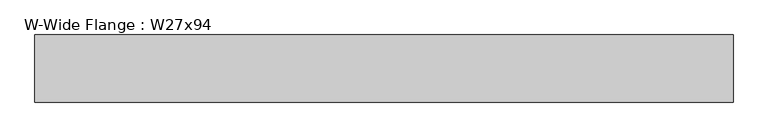
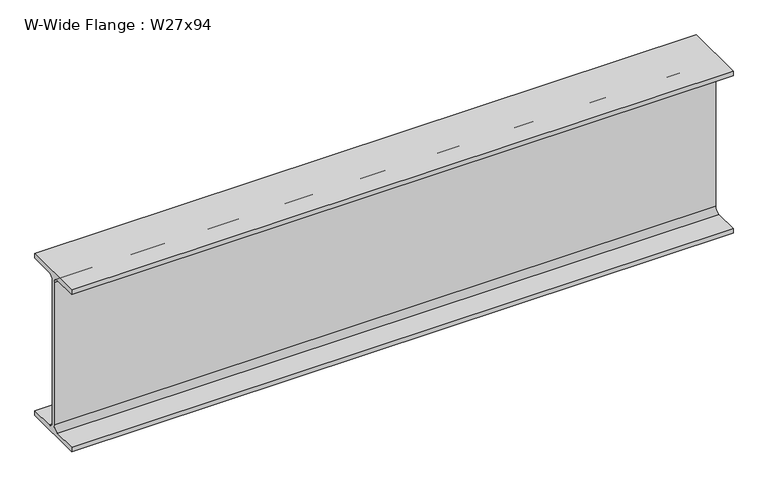
"""IFC4 building model written with IfcOpenShell, lengths in millimetres: beam geometry, W-Wide Flange : W27x94."""

from ifc_helpers import new_model, si_unit, point, frame, frame_2d, origin, place, context, project, spatial, polyline, circle_curve, trimmed, segment, composite_curve, outline, extrude, source, transform, mapped, element, save


def w_wide_flange_w27x94_88ae7cf5(model_context):
    return source(origin(), model_context, "Body", "SweptSolid", [
        extrude(outline(composite_curve([segment(polyline([(127.0, -322.707), (127.0, -341.63), (-127.0, -341.63), (-127.0, -322.707), (-28.575, -322.707)]), True, "CONTINUOUS"), segment(trimmed(circle_curve(frame_2d((-28.575, -300.355)), 22.352), [point((-28.575, -322.707))], [point((-6.223, -300.355))], True, "CARTESIAN"), True, "CONTINUOUS"), segment(polyline([(-6.223, -300.355), (-6.223, 300.355)]), True, "CONTINUOUS"), segment(trimmed(circle_curve(frame_2d((-28.575, 300.355)), 22.352), [point((-6.223, 300.355))], [point((-28.575, 322.707))], True, "CARTESIAN"), True, "CONTINUOUS"), segment(polyline([(-28.575, 322.707), (-127.0, 322.707), (-127.0, 341.63), (127.0, 341.63), (127.0, 322.707), (28.575, 322.707)]), True, "CONTINUOUS"), segment(trimmed(circle_curve(frame_2d((28.575, 300.355)), 22.352), [point((28.575, 322.707))], [point((6.223, 300.355))], True, "CARTESIAN"), True, "CONTINUOUS"), segment(polyline([(6.223, 300.355), (6.223, -300.355)]), True, "CONTINUOUS"), segment(trimmed(circle_curve(frame_2d((28.575, -300.355)), 22.352), [point((6.223, -300.355))], [point((28.575, -322.707))], True, "CARTESIAN"), True, "CONTINUOUS"), segment(polyline([(28.575, -322.707), (127.0, -322.707)]), True, "CONTINUOUS")], self_intersect=False)), frame((-1458.3260011, 0.0, 0.0), z_axis=(1.0, 0.0, 0.0), x_axis=(0.0, 1.0, 0.0)), (0.0, 0.0, 1.0), 2642.7701079),
    ])


if __name__ == "__main__":
    model = new_model("IFC4")
    model_context = context("Model", 3, world=origin())
    ifc_project = project(units=[si_unit("LENGTHUNIT", "METRE", prefix="MILLI")], contexts=[model_context])
    site = spatial("IfcSite", under=ifc_project)
    building = spatial("IfcBuilding", under=site)
    placement = place(None, origin())
    w_wide_flange_w27x94_shape = w_wide_flange_w27x94_88ae7cf5(model_context)
    element("IfcBeam", 1, ObjectType="W-Wide Flange : W27x94", at=placement, inside=building, context=model_context, shape_type="MappedRepresentation", body=[
        mapped(w_wide_flange_w27x94_shape, transform((0.0, 0.0, 0.0), x_axis=(1.0, 0.0, 0.0), y_axis=(0.0, 1.0, 0.0), z_axis=(0.0, 0.0, 1.0))),
    ])
    save(model, "model.ifc")
